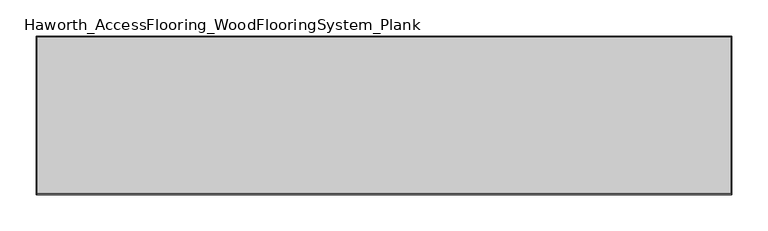
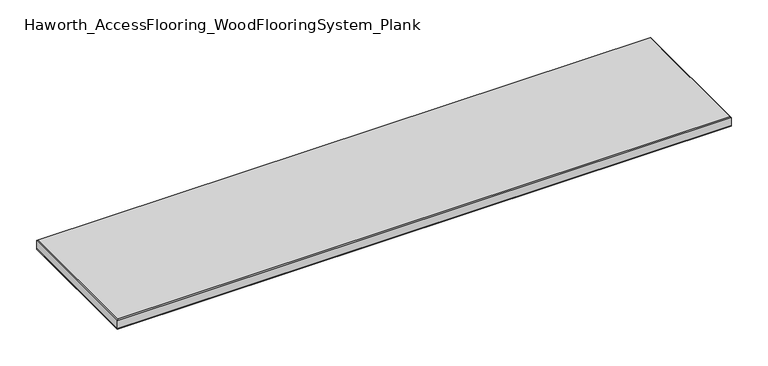
"""IFC4 building model written with IfcOpenShell, lengths in millimetres: proxy geometry, Haworth_AccessFlooring_WoodFlooringSystem_Plank."""

from ifc_helpers import new_model, si_unit, frame, origin, place, context, project, spatial, polyline, outline, extrude, faceted_brep, source, transform, mapped, element, save


def haworth_accessflooring_woodflooringsystem_plank_df747f85(model_context):
    return source(origin(), model_context, "Body", "SolidModel", [
        extrude(outline(polyline([(482.7154832, 109.9839844), (482.7154832, -109.9839844), (-482.7154832, -109.9839844), (-482.7154832, 109.9839844), (482.7154832, 109.9839844)])), frame((0.0, 0.0, -15.875), z_axis=(0.0, 0.0, 1.0), x_axis=(1.0, 0.0, 0.0)), (0.0, 0.0, 1.0), 0.9921875),
        faceted_brep([(482.7154832, 109.9839844, -14.8828125), (482.7154832, -109.9839844, -14.8828125), (-482.7154832, -109.9839844, -14.8828125), (-482.7154832, 109.9839844, -14.8828125), (-482.7154832, 109.9839844, -1.5875), (482.7154832, 109.9839844, -1.5875), (-482.7154832, -109.9839844, -1.5875), (482.7154832, -109.9839844, -1.5875), (481.1279832, 108.3964844, 0.0), (-481.1279832, 108.3964844, 0.0), (-481.1279832, -108.3964844, 0.0), (481.1279832, -108.3964844, 0.0)], [[[0, 1, 2, 3]], [[0, 3, 4, 5]], [[3, 2, 6, 4]], [[2, 1, 7, 6]], [[1, 0, 5, 7]], [[8, 9, 10, 11]], [[9, 8, 5, 4]], [[10, 9, 4, 6]], [[11, 10, 6, 7]], [[8, 11, 7, 5]]]),
    ])


if __name__ == "__main__":
    model = new_model("IFC4")
    model_context = context("Model", 3, world=origin())
    ifc_project = project(units=[si_unit("LENGTHUNIT", "METRE", prefix="MILLI")], contexts=[model_context])
    site = spatial("IfcSite", under=ifc_project)
    building = spatial("IfcBuilding", under=site)
    placement = place(None, origin())
    haworth_accessflooring_woodflooringsystem_plank_shape = haworth_accessflooring_woodflooringsystem_plank_df747f85(model_context)
    element("IfcBuildingElementProxy", 1, Name="Haworth_AccessFlooring_WoodFlooringSystem_Plank", ObjectType="Haworth_AccessFlooring_WoodFlooringSystem_Plank", at=placement, inside=building, context=model_context, shape_type="MappedRepresentation", body=[
        mapped(haworth_accessflooring_woodflooringsystem_plank_shape, transform((0.0, 0.0, 0.0), x_axis=(1.0, 0.0, 0.0), y_axis=(0.0, 1.0, 0.0), z_axis=(0.0, 0.0, 1.0))),
    ])
    save(model, "model.ifc")
